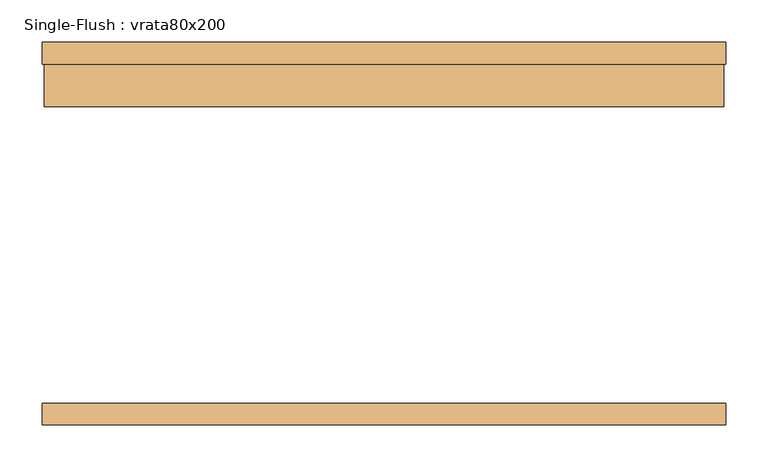
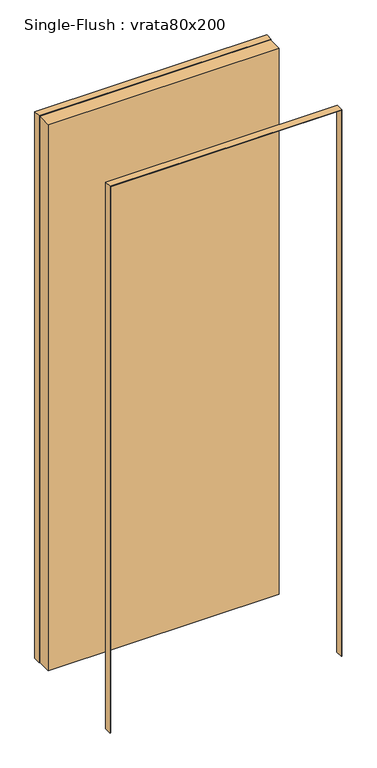
"""IFC4 building model written with IfcOpenShell, lengths in millimetres: door geometry, Single-Flush : vrata80x200."""

import ifcopenshell
import ifcopenshell.guid

model = None  # the IFC model being written
_history = None  # IfcOwnerHistory: only IFC2X3 demands one
_inside = {}  # id of a spatial element -> (the spatial element, [elements in it])
_under = {}  # id of a project, library or spatial element -> (it, [spatial elements below it])
_declared = {}  # id of a project -> (the project, [libraries it declares])
_typed = {}  # id of a type object -> (the type object, [elements of that type])
_made_of = {}  # id of a material, layer set ... -> (it, [elements and type objects made of it])


def new_model(schema):
    """Start an empty IFC model of exactly this schema.

    Asked for "IFC4X3", IfcOpenShell would pick the latest addendum, in which some entities
    have other attributes; the version numbers below select the first issue.
    IFC2X3 requires an IfcOwnerHistory on every rooted entity: one is made here for all.
    """
    global model, _history
    if schema == "IFC4X3":
        model = ifcopenshell.file(schema_version=(4, 3, 0, 0))
    else:
        model = ifcopenshell.file(schema=schema)
    _inside.clear()
    _under.clear()
    _declared.clear()
    _typed.clear()
    _made_of.clear()
    _history = None
    if model.schema == "IFC2X3":
        org = make("IfcOrganization", Name="unknown")
        user = make(
            "IfcPersonAndOrganization",
            ThePerson=make("IfcPerson", FamilyName="unknown"),
            TheOrganization=org,
        )
        app = make(
            "IfcApplication",
            ApplicationDeveloper=org,
            Version="unknown",
            ApplicationFullName="unknown",
            ApplicationIdentifier="unknown",
        )
        _history = make(
            "IfcOwnerHistory",
            OwningUser=user,
            OwningApplication=app,
            ChangeAction="ADDED",
            CreationDate=0,
        )
    return model


def make(cls, **values):
    """One entity of the class cls with the attributes given. An attribute that is None is left unset."""
    return model.create_entity(
        cls, **{name: value for name, value in values.items() if value is not None}
    )


def rooted(cls, **values):
    """An entity with a GlobalId (a new one), such as an element, a storey or a relation."""
    return make(cls, GlobalId=ifcopenshell.guid.new(), OwnerHistory=_history, **values)


def si_unit(unit_type, name, prefix=None):
    """IfcSIUnit, for example si_unit("LENGTHUNIT", "METRE", prefix="MILLI")."""
    return make("IfcSIUnit", UnitType=unit_type, Prefix=prefix, Name=name)


def assignment(units):
    """IfcUnitAssignment: the units of a project."""
    return None if units is None else make("IfcUnitAssignment", Units=units)


def point(xyz):
    """IfcCartesianPoint."""
    return None if xyz is None else make("IfcCartesianPoint", Coordinates=xyz)


def direction(xyz):
    """IfcDirection."""
    return None if xyz is None else make("IfcDirection", DirectionRatios=xyz)


def frame(location, z_axis=None, x_axis=None):
    """IfcAxis2Placement3D, a coordinate frame: its origin and axes. An axis left out is left unset."""
    return make(
        "IfcAxis2Placement3D",
        Location=point(location),
        Axis=direction(z_axis),
        RefDirection=direction(x_axis),
    )


def origin():
    """The frame at (0, 0, 0) with its axes left unset."""
    return frame((0.0, 0.0, 0.0))


def origin_with_axes():
    """The frame at (0, 0, 0) with the z axis (0, 0, 1) and the x axis (1, 0, 0) written out."""
    return frame((0.0, 0.0, 0.0), z_axis=(0.0, 0.0, 1.0), x_axis=(1.0, 0.0, 0.0))


def place(relative_to, where):
    """IfcLocalPlacement: puts the frame where relative to a parent placement (None: the world)."""
    return make(
        "IfcLocalPlacement", PlacementRelTo=relative_to, RelativePlacement=where
    )


def context(
    kind, dimensions, precision=None, world=None, true_north=None, identifier=None
):
    """IfcGeometricRepresentationContext, for example the 3D "Model" context."""
    return make(
        "IfcGeometricRepresentationContext",
        ContextIdentifier=identifier,
        ContextType=kind,
        CoordinateSpaceDimension=dimensions,
        Precision=precision,
        WorldCoordinateSystem=world,
        TrueNorth=true_north,
    )


def project(units=None, contexts=None):
    """IfcProject with its units and contexts."""
    return rooted(
        "IfcProject",
        Name="project",
        RepresentationContexts=contexts,
        UnitsInContext=assignment(units),
    )


def spatial(cls, under=None, at=None, **own):
    """A site, building, storey or space (cls), placed at a placement, below another one or the project."""
    s = rooted(cls, ObjectPlacement=at, **own)
    if under is not None:
        _under.setdefault(under.id(), (under, []))[1].append(s)
    return s


def polyline(points):
    """IfcPolyline through the points."""
    return make("IfcPolyline", Points=[point(p) for p in points])


def outline(outer, holes=None, kind="AREA"):
    """IfcArbitraryClosedProfileDef: a profile drawn as a closed curve; with holes, ...WithVoids."""
    if holes is None:
        return make("IfcArbitraryClosedProfileDef", ProfileType=kind, OuterCurve=outer)
    return make(
        "IfcArbitraryProfileDefWithVoids",
        ProfileType=kind,
        OuterCurve=outer,
        InnerCurves=holes,
    )


def extrude(swept, where, along, depth):
    """IfcExtrudedAreaSolid: the profile swept, set in the frame where, extruded along a direction by depth."""
    return make(
        "IfcExtrudedAreaSolid",
        SweptArea=swept,
        Position=where,
        ExtrudedDirection=direction(along),
        Depth=depth,
    )


def shape(context_of_items, identifier, shape_type, items):
    """IfcShapeRepresentation: the items that make up one representation, for example the "Body"."""
    return make(
        "IfcShapeRepresentation",
        ContextOfItems=context_of_items,
        RepresentationIdentifier=identifier,
        RepresentationType=shape_type,
        Items=items,
    )


def source(mapping_origin, context_of_items, identifier, shape_type, items):
    """IfcRepresentationMap: a shape defined once, which mapped items show again and again."""
    return make(
        "IfcRepresentationMap",
        MappingOrigin=mapping_origin,
        MappedRepresentation=shape(context_of_items, identifier, shape_type, items),
    )


def transform(
    local_origin,
    x_axis=None,
    y_axis=None,
    z_axis=None,
    scale=None,
    scale2=None,
    scale3=None,
    uniform=True,
):
    """IfcCartesianTransformationOperator3D, or its non-uniform kind. x_axis, y_axis, z_axis: its Axis1, 2, 3."""
    if uniform:
        return make(
            "IfcCartesianTransformationOperator3D",
            Axis1=direction(x_axis),
            Axis2=direction(y_axis),
            LocalOrigin=point(local_origin),
            Scale=scale,
            Axis3=direction(z_axis),
        )
    return make(
        "IfcCartesianTransformationOperator3DnonUniform",
        Axis1=direction(x_axis),
        Axis2=direction(y_axis),
        LocalOrigin=point(local_origin),
        Scale=scale,
        Axis3=direction(z_axis),
        Scale2=scale2,
        Scale3=scale3,
    )


def mapped(mapping_source, mapping_target):
    """IfcMappedItem: shows the shape of a source again, moved by a transform."""
    return make(
        "IfcMappedItem", MappingSource=mapping_source, MappingTarget=mapping_target
    )


def made_of(thing, what):
    """Note that an element or type object is made of a material, layer set ...; save() writes the relation."""
    if what is not None:
        _made_of.setdefault(what.id(), (what, []))[1].append(thing)
    return thing


def element(
    cls,
    number,
    at=None,
    inside=None,
    cuts=None,
    type_object=None,
    material=None,
    context=None,
    identifier="Body",
    shape_type=None,
    held_by="IfcProductDefinitionShape",
    body=None,
    shapes=None,
    **own,
):
    """One element of the class cls, such as IfcWall. Its Tag is "e" and its number.

    at: its placement. inside: the storey or other place that contains it. cuts: it is an
    opening in that element (IfcRelVoidsElement). A single representation is given by context,
    identifier, shape_type and body (its items); several are given by shapes. held_by: the class
    of the entity that holds the representations. save() writes the other relations.
    """
    e = rooted(cls, Tag="e%d" % number, ObjectPlacement=at, **own)
    if body is not None:
        shapes = [shape(context, identifier, shape_type, body)]
    if shapes is not None:
        e.Representation = make(held_by, Representations=shapes)
    if inside is not None:
        _inside.setdefault(inside.id(), (inside, []))[1].append(e)
    if cuts is not None:
        rooted(
            "IfcRelVoidsElement", RelatingBuildingElement=cuts, RelatedOpeningElement=e
        )
    if type_object is not None:
        _typed.setdefault(type_object.id(), (type_object, []))[1].append(e)
    return made_of(e, material)


def aggregate(whole, parts):
    """IfcRelAggregates: a whole, such as a stair, and the parts it consists of."""
    return rooted("IfcRelAggregates", RelatingObject=whole, RelatedObjects=parts)


def save(model, path):
    """Write the relations noted so far, then the file.

    IfcRelAggregates (storeys below a building ...), IfcRelContainedInSpatialStructure (elements
    in a storey), IfcRelDefinesByType, IfcRelAssociatesMaterial and IfcRelDeclares: one each for
    every whole, place, type object, material and project.
    """
    for whole, parts in _under.values():
        aggregate(whole, parts)
    for where, things in _inside.values():
        rooted(
            "IfcRelContainedInSpatialStructure",
            RelatedElements=things,
            RelatingStructure=where,
        )
    for kind, things in _typed.values():
        rooted("IfcRelDefinesByType", RelatedObjects=things, RelatingType=kind)
    for what, things in _made_of.values():
        rooted("IfcRelAssociatesMaterial", RelatedObjects=things, RelatingMaterial=what)
    for by, libraries in _declared.values():
        rooted("IfcRelDeclares", RelatingContext=by, RelatedDefinitions=libraries)
    model.write(path)


def single_flush_vrata80x200_91e1d6b9(model_context):
    return source(origin(), model_context, "Body", "SweptSolid", [
        extrude(outline(polyline([(2002.0, -402.0), (0.0, -402.0), (0.0, -400.0), (2000.0, -400.0), (2000.0, 400.0), (0.0, 400.0), (0.0, 402.0), (2002.0, 402.0), (2002.0, -402.0)])), frame((0.0, 200.0, 0.0), z_axis=(0.0, 1.0, 0.0), x_axis=(0.0, 0.0, 1.0)), (0.0, 0.0, 1.0), 25.4),
        extrude(outline(polyline([(2002.0, 402.0), (2002.0, -402.0), (0.0, -402.0), (0.0, -400.0), (2000.0, -400.0), (2000.0, 400.0), (0.0, 400.0), (0.0, 402.0), (2002.0, 402.0)])), frame((0.0, -225.4, 0.0), z_axis=(0.0, 1.0, 0.0), x_axis=(0.0, 0.0, 1.0)), (0.0, 0.0, 1.0), 25.4),
        extrude(outline(polyline([(400.0, 150.0), (-400.0, 150.0), (-400.0, 200.0), (400.0, 200.0), (400.0, 150.0)])), origin_with_axes(), (0.0, 0.0, 1.0), 2000.0),
    ])


if __name__ == "__main__":
    model = new_model("IFC4")
    model_context = context("Model", 3, world=origin())
    ifc_project = project(units=[si_unit("LENGTHUNIT", "METRE", prefix="MILLI")], contexts=[model_context])
    site = spatial("IfcSite", under=ifc_project)
    building = spatial("IfcBuilding", under=site)
    placement = place(None, origin())
    single_flush_vrata80x200_shape = single_flush_vrata80x200_91e1d6b9(model_context)
    element("IfcDoor", 1, ObjectType="Single-Flush : vrata80x200", at=placement, inside=building, context=model_context, shape_type="MappedRepresentation", body=[
        mapped(single_flush_vrata80x200_shape, transform((0.0, 0.0, 0.0), x_axis=(1.0, 0.0, 0.0), y_axis=(0.0, 1.0, 0.0), z_axis=(0.0, 0.0, 1.0))),
    ])
    save(model, "model.ifc")
